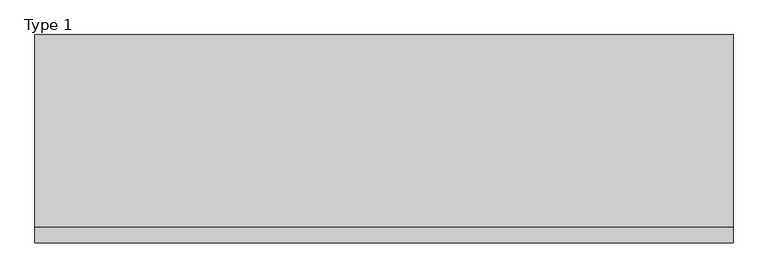
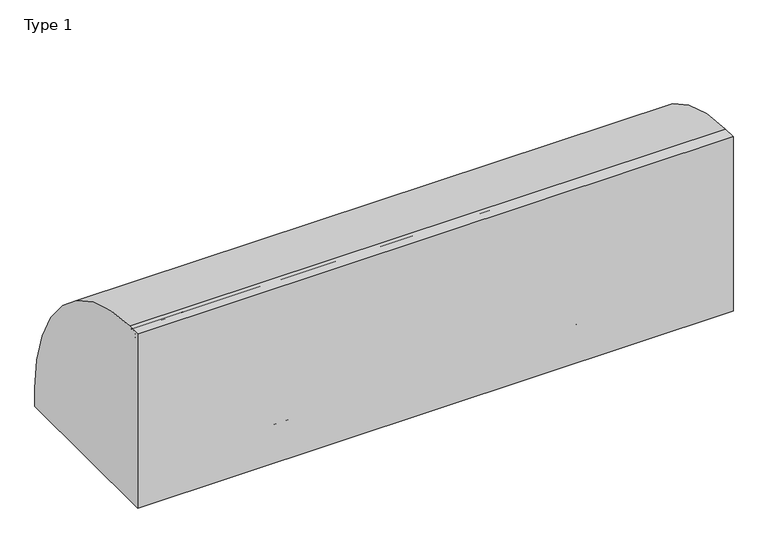
"""IFC4 building model written with IfcOpenShell, lengths in millimetres: railing geometry, Type 1."""

from ifc_helpers import new_model, si_unit, point, frame, frame_2d, origin, place, context, project, spatial, polyline, circle_curve, trimmed, segment, composite_curve, outline, extrude, source, transform, mapped, element, save
from ifc_brep_helpers import plane_surface, cylinder_surface, revolved_surface, advanced_brep


def type_1_5e9ca5f7(model_context):
    return source(origin(), model_context, "Body", "SolidModel", [
        extrude(outline(composite_curve([segment(polyline([(-824.2, 1050.0), (-747.6546144, 1050.0)]), True, "CONTINUOUS"), segment(trimmed(circle_curve(frame_2d((-754.8273072, 108.0)), 942.0273072), [point((-747.6546144, 1050.0))], [point((187.2, 108.0))], False, "CARTESIAN"), True, "CONTINUOUS"), segment(polyline([(187.2, 108.0), (187.2, 0.0), (-824.2, 0.0), (-824.2, 1050.0)]), True, "CONTINUOUS")], self_intersect=False)), frame((-845.0, 0.0, 0.0), z_axis=(1.0, 0.0, 0.0), x_axis=(0.0, 1.0, 0.0)), (0.0, 0.0, 1.0), 3390.0),
        extrude(outline(composite_curve([segment(trimmed(circle_curve(frame_2d((-746.287505, 538.0)), 20.0), [point((-727.7, 530.617273))], [point((-762.0, 525.6259343))], False, "CARTESIAN"), True, "CONTINUOUS"), segment(polyline([(-762.0, 525.6259343), (-762.0, 550.3740657)]), True, "CONTINUOUS"), segment(trimmed(circle_curve(frame_2d((-746.287505, 538.0)), 20.0), [point((-762.0, 550.3740657))], [point((-727.7, 545.382727))], False, "CARTESIAN"), True, "CONTINUOUS"), segment(polyline([(-727.7, 545.382727), (-731.7, 545.382727), (-731.7, 530.617273), (-727.7, 530.617273)]), True, "CONTINUOUS")], self_intersect=False)), frame((-800.0, 0.0, 0.0), z_axis=(1.0, 0.0, 0.0), x_axis=(0.0, 1.0, 0.0)), (0.0, 0.0, 1.0), 3300.0),
        extrude(outline(composite_curve([segment(trimmed(circle_curve(frame_2d((-781.0, 1025.0)), 25.0), [point((-802.0, 1011.43534))], [point((-760.0, 1011.43534))], False, "CARTESIAN"), True, "CONTINUOUS"), segment(polyline([(-760.0, 1011.43534), (-760.0, 993.0), (-761.0, 993.0), (-761.0, 1008.0), (-801.0, 1008.0), (-801.0, 993.0), (-802.0, 993.0), (-802.0, 1011.43534)]), True, "CONTINUOUS")], self_intersect=False)), frame((-845.0, 0.0, 0.0), z_axis=(1.0, 0.0, 0.0), x_axis=(0.0, 1.0, 0.0)), (0.0, 0.0, 1.0), 3390.0),
        extrude(outline(composite_curve([segment(polyline([(-800.0, 185.0), (-767.1999123, 185.0)]), True, "CONTINUOUS"), segment(trimmed(circle_curve(frame_2d((-767.1999123, 112.1212122)), 72.8787879), [point((-767.1999123, 185.0))], [point((-715.6668272, 163.6542973))], False, "CARTESIAN"), True, "CONTINUOUS"), segment(polyline([(-715.6668272, 163.6542973), (-601.4657725, 49.4532425)]), True, "CONTINUOUS"), segment(trimmed(circle_curve(frame_2d((-609.3939394, 41.5250756)), 11.2121212), [point((-601.4657725, 49.4532425))], [point((-598.1818182, 41.5250756))], False, "CARTESIAN"), True, "CONTINUOUS"), segment(polyline([(-598.1818182, 41.5250756), (-598.1818182, 0.0), (-800.0, 0.0), (-800.0, 185.0)]), True, "CONTINUOUS")], self_intersect=False), holes=[composite_curve([segment(trimmed(circle_curve(frame_2d((-705.7014901, 93.0361975)), 5.6060606), [point((-711.3075507, 93.0361975))], [point((-700.0954295, 93.0361975))], True, "CARTESIAN"), True, "CONTINUOUS"), segment(trimmed(circle_curve(frame_2d((-778.6969697, 93.0361975)), 78.6015402), [point((-700.0954295, 93.0361975))], [point((-778.6969697, 171.6377377))], True, "CARTESIAN"), True, "CONTINUOUS"), segment(trimmed(circle_curve(frame_2d((-778.6969697, 166.0316771)), 5.6060606), [point((-778.6969697, 171.6377377))], [point((-784.3030303, 166.0316771))], True, "CARTESIAN"), True, "CONTINUOUS"), segment(polyline([(-784.3030303, 166.0316771), (-784.3030303, 143.5676849)]), True, "CONTINUOUS"), segment(trimmed(circle_curve(frame_2d((-778.6969697, 143.5676849)), 5.6060606), [point((-784.3030303, 143.5676849))], [point((-773.0909091, 143.5676849))], True, "CARTESIAN"), True, "CONTINUOUS"), segment(polyline([(-773.0909091, 143.5676849), (-773.0909091, 157.7293747)]), True, "CONTINUOUS"), segment(trimmed(circle_curve(frame_2d((-770.8668077, 157.7293747)), 2.2241014), [point((-773.0909091, 157.7293747))], [point((-770.5995631, 159.9373619))], False, "CARTESIAN"), True, "CONTINUOUS"), segment(trimmed(circle_curve(frame_2d((-778.6969697, 93.0361975)), 67.389419), [point((-770.5995631, 159.9373619))], [point((-711.3075507, 93.0361975))], False, "CARTESIAN"), True, "CONTINUOUS")], self_intersect=False)]), frame((1637.0, 0.0, 0.0), z_axis=(1.0, 0.0, 0.0), x_axis=(0.0, 1.0, 0.0)), (0.0, 0.0, 1.0), 2.5),
        advanced_brep(
        [(1704.5, -800.0, 185.0), (1704.5, -767.1999123, 185.0), (1704.5, -715.6668272, 163.6542973), (1704.5, -601.4657725, 49.4532425), (1704.5, -598.1818182, 41.5250756), (1704.5, -598.1818182, 0.0), (1704.5, -800.0, 0.0), (1704.5, -800.0, 100.9768515), (1704.5, -711.3075507, 93.0361975), (1704.5, -700.0954295, 93.0361975), (1704.5, -778.6969697, 171.6377377), (1704.5, -784.3030303, 166.0316771), (1704.5, -784.3030303, 143.5676849), (1704.5, -773.0909091, 143.5676849), (1704.5, -773.0909091, 157.7293747), (1704.5, -770.5995631, 159.9373619), (1707.0, -800.0, 0.0), (1707.0, -598.1818182, 0.0), (1707.0, -598.1818182, 41.5250756), (1707.0, -601.4657725, 49.4532425), (1707.0, -715.6668272, 163.6542973), (1707.0, -767.1999123, 185.0), (1707.0, -802.0, 185.0), (1707.0, -802.0, 100.9768515), (1707.0, -800.0, 100.9768515), (1707.0, -711.3075507, 93.0361975), (1707.0, -770.5995631, 159.9373619), (1707.0, -773.0909091, 157.7293747), (1707.0, -773.0909091, 143.5676849), (1707.0, -784.3030303, 143.5676849), (1707.0, -784.3030303, 166.0316771), (1707.0, -778.6969697, 171.6377377), (1707.0, -700.0954295, 93.0361975), (1637.0, -800.0, 185.0), (1637.0, -802.0, 185.0), (1637.0, -802.0, 100.9768515), (1637.0, -800.0, 100.9768515)],
        [
            (0, 1),
            (1, 2, circle_curve(frame((1704.5, -767.1999123, 112.1212122), z_axis=(-1.0, 0.0, 0.0), x_axis=(0.0, -1.0, 0.0)), 72.8787879)),
            (2, 3),
            (3, 4, circle_curve(frame((1704.5, -609.3939394, 41.5250756), z_axis=(-1.0, 0.0, 0.0), x_axis=(0.0, -1.0, 0.0)), 11.2121212)),
            (4, 5),
            (5, 6),
            (6, 7),
            (7, 0),
            (8, 9, circle_curve(frame((1704.5, -705.7014901, 93.0361975), z_axis=(1.0, 0.0, 0.0), x_axis=(0.0, -1.0, 0.0)), 5.6060606)),
            (9, 10, circle_curve(frame((1704.5, -778.6969697, 93.0361975), z_axis=(1.0, 0.0, 0.0), x_axis=(0.0, -1.0, 0.0)), 78.6015402)),
            (10, 11, circle_curve(frame((1704.5, -778.6969697, 166.0316771), z_axis=(1.0, 0.0, 0.0), x_axis=(0.0, -1.0, 0.0)), 5.6060606)),
            (11, 12),
            (12, 13, circle_curve(frame((1704.5, -778.6969697, 143.5676849), z_axis=(1.0, 0.0, 0.0), x_axis=(0.0, -1.0, 0.0)), 5.6060606)),
            (13, 14),
            (14, 15, circle_curve(frame((1704.5, -770.8668077, 157.7293747), z_axis=(-1.0, 0.0, 0.0), x_axis=(0.0, -1.0, 0.0)), 2.2241014)),
            (15, 8, circle_curve(frame((1704.5, -778.6969697, 93.0361975), z_axis=(-1.0, 0.0, 0.0), x_axis=(0.0, -1.0, 0.0)), 67.389419)),
            (16, 17),
            (17, 18),
            (18, 19, circle_curve(frame((1707.0, -609.3939394, 41.5250756), z_axis=(1.0, 0.0, 0.0), x_axis=(0.0, -1.0, 0.0)), 11.2121212)),
            (19, 20),
            (20, 21, circle_curve(frame((1707.0, -767.1999123, 112.1212122), z_axis=(1.0, 0.0, 0.0), x_axis=(0.0, -1.0, 0.0)), 72.8787879)),
            (21, 22),
            (22, 23),
            (23, 24),
            (24, 16),
            (25, 26, circle_curve(frame((1707.0, -778.6969697, 93.0361975), z_axis=(1.0, 0.0, 0.0), x_axis=(0.0, -1.0, 0.0)), 67.389419)),
            (26, 27, circle_curve(frame((1707.0, -770.8668077, 157.7293747), z_axis=(1.0, 0.0, 0.0), x_axis=(0.0, -1.0, 0.0)), 2.2241014)),
            (27, 28),
            (28, 29, circle_curve(frame((1707.0, -778.6969697, 143.5676849), z_axis=(-1.0, 0.0, 0.0), x_axis=(0.0, -1.0, 0.0)), 5.6060606)),
            (29, 30),
            (30, 31, circle_curve(frame((1707.0, -778.6969697, 166.0316771), z_axis=(-1.0, 0.0, 0.0), x_axis=(0.0, -1.0, 0.0)), 5.6060606)),
            (31, 32, circle_curve(frame((1707.0, -778.6969697, 93.0361975), z_axis=(-1.0, 0.0, 0.0), x_axis=(0.0, -1.0, 0.0)), 78.6015402)),
            (32, 25, circle_curve(frame((1707.0, -705.7014901, 93.0361975), z_axis=(-1.0, 0.0, 0.0), x_axis=(0.0, -1.0, 0.0)), 5.6060606)),
            (0, 33),
            (33, 34),
            (34, 22),
            (21, 1),
            (20, 2),
            (19, 3),
            (18, 4),
            (17, 5),
            (16, 6),
            (24, 7),
            (8, 25),
            (32, 9),
            (31, 10),
            (30, 11),
            (15, 26),
            (29, 12),
            (28, 13),
            (27, 14),
            (34, 35),
            (35, 23),
            (36, 33),
            (7, 36),
            (36, 35),
        ],
        [
            plane_surface(frame((1704.5, -798.2270223, 185.0), z_axis=(-1.0, 0.0, 0.0), x_axis=(0.0, 1.0, 0.0))),
            plane_surface(frame((1707.0, -798.2270223, 185.0), z_axis=(1.0, 0.0, 0.0), x_axis=(0.0, -1.0, 0.0))),
            plane_surface(frame((1704.5, -800.0, 185.0), z_axis=(0.0, 0.0, 1.0), x_axis=(1.0, 0.0, 0.0))),
            cylinder_surface(frame((1707.0, -767.1999123, 112.1212122), z_axis=(-1.0, 0.0, 0.0), x_axis=(0.0, -1.0, 0.0)), 72.8787879),
            plane_surface(frame((1704.5, -715.6668272, 163.6542973), z_axis=(0.0, 0.7071067811865421, 0.7071067811865529), x_axis=(1.0, 0.0, 0.0))),
            cylinder_surface(frame((1707.0, -609.3939394, 41.5250756), z_axis=(-1.0, 0.0, 0.0), x_axis=(0.0, -1.0, 0.0)), 11.2121212),
            plane_surface(frame((1704.5, -598.1818182, 41.5250756), z_axis=(0.0, 1.0, 0.0), x_axis=(1.0, 0.0, 0.0))),
            plane_surface(frame((1704.5, -598.1818182, 0.0), z_axis=(0.0, 0.0, -1.0), x_axis=(1.0, 0.0, 0.0))),
            plane_surface(frame((1704.5, -800.0, 0.0), z_axis=(0.0, -1.0, 0.0), x_axis=(1.0, 0.0, 0.0))),
            revolved_surface(polyline([(1707.0, -711.3075507, 93.0361975), (1704.5, -711.3075507, 93.0361975)]), (1707.0, -705.7014901, 93.0361975), (1.0, 0.0, 0.0)),
            revolved_surface(polyline([(1707.0, -857.2985099, 93.0361975), (1704.5, -857.2985099, 93.0361975)]), (1707.0, -778.6969697, 93.0361975), (1.0, 0.0, 0.0)),
            revolved_surface(polyline([(1707.0, -784.3030302999999, 166.0316771), (1704.5, -784.3030302999999, 166.0316771)]), (1707.0, -778.6969697, 166.0316771), (1.0, 0.0, 0.0)),
            cylinder_surface(frame((1707.0, -778.6969697, 93.0361975), z_axis=(-1.0, 0.0, 0.0), x_axis=(0.0, -1.0, 0.0)), 67.389419),
            plane_surface(frame((1704.5, -784.3030303, 166.0316771), z_axis=(0.0, 1.0, 0.0), x_axis=(1.0, 0.0, 0.0))),
            revolved_surface(polyline([(1707.0, -784.3030302999999, 143.5676849), (1704.5, -784.3030302999999, 143.5676849)]), (1707.0, -778.6969697, 143.5676849), (1.0, 0.0, 0.0)),
            plane_surface(frame((1704.5, -773.0909091, 143.5676849), z_axis=(0.0, -1.0, 0.0), x_axis=(1.0, 0.0, 0.0))),
            cylinder_surface(frame((1707.0, -770.8668077, 157.7293747), z_axis=(-1.0, 0.0, 0.0), x_axis=(0.0, -1.0, 0.0)), 2.2241014),
            plane_surface(frame((1637.0, -802.0, 185.0), z_axis=(0.0, -1.0, 0.0), x_axis=(-1.0, 0.0, 0.0))),
            plane_surface(frame((1637.0, -800.0, 185.0), z_axis=(0.0, 1.0, 0.0), x_axis=(1.0, 0.0, 0.0))),
            plane_surface(frame((1637.0, -802.0, 185.0), z_axis=(-1.0, 0.0, 0.0), x_axis=(0.0, 1.0, 0.0))),
            plane_surface(frame((1637.0, -802.0, 100.9768515), z_axis=(0.0, 0.0, -1.0), x_axis=(0.0, 1.0, 0.0))),
        ],
        [
            (0, [[1, 2, 3, 4, 5, 6, 7, 8], [9, 10, 11, 12, 13, 14, 15, 16]]),
            (1, [[17, 18, 19, 20, 21, 22, 23, 24, 25], [26, 27, 28, 29, 30, 31, 32, 33]]),
            (2, [[-1, 34, 35, 36, -22, 37]]),
            (3, [[-2, -37, -21, 38]]),
            (4, [[-3, -38, -20, 39]]),
            (5, [[-4, -39, -19, 40]]),
            (6, [[-5, -40, -18, 41]]),
            (7, [[-6, -41, -17, 42]]),
            (8, [[-42, -25, 43, -7]]),
            (9, [[-9, 44, -33, 45]]),
            (10, [[-10, -45, -32, 46]]),
            (11, [[-11, -46, -31, 47]]),
            (12, [[-16, 48, -26, -44]]),
            (13, [[-12, -47, -30, 49]]),
            (14, [[-13, -49, -29, 50]]),
            (15, [[-14, -50, -28, 51]]),
            (16, [[-15, -51, -27, -48]]),
            (17, [[-36, 52, 53, -23]]),
            (18, [[54, -34, -8, 55]]),
            (19, [[-52, -35, -54, 56]]),
            (20, [[-53, -56, -55, -43, -24]]),
        ],
    ),
        extrude(outline(composite_curve([segment(trimmed(circle_curve(frame_2d((1649.0, -795.0)), 5.0), [point((1649.0, -800.0))], [point((1644.0, -795.0))], False, "CARTESIAN"), True, "CONTINUOUS"), segment(polyline([(1644.0, -795.0), (1644.0, -767.0)]), True, "CONTINUOUS"), segment(trimmed(circle_curve(frame_2d((1649.0, -767.0)), 5.0), [point((1644.0, -767.0))], [point((1649.0, -762.0))], False, "CARTESIAN"), True, "CONTINUOUS"), segment(polyline([(1649.0, -762.0), (1695.0, -762.0)]), True, "CONTINUOUS"), segment(trimmed(circle_curve(frame_2d((1695.0, -767.0)), 5.0), [point((1695.0, -762.0))], [point((1700.0, -767.0))], False, "CARTESIAN"), True, "CONTINUOUS"), segment(polyline([(1700.0, -767.0), (1700.0, -795.0)]), True, "CONTINUOUS"), segment(trimmed(circle_curve(frame_2d((1695.0, -795.0)), 5.0), [point((1700.0, -795.0))], [point((1695.0, -800.0))], False, "CARTESIAN"), True, "CONTINUOUS"), segment(polyline([(1695.0, -800.0), (1649.0, -800.0)]), True, "CONTINUOUS")], self_intersect=False)), frame((0.0, 0.0, 43.0), z_axis=(0.0, 0.0, 1.0), x_axis=(1.0, 0.0, 0.0)), (0.0, 0.0, 1.0), 965.0),
        extrude(outline(composite_curve([segment(polyline([(0.0, 1704.5), (36.5, 1704.5)]), True, "CONTINUOUS"), segment(trimmed(circle_curve(frame_2d((36.5, 1703.0)), 1.5), [point((36.5, 1704.5))], [point((36.5, 1701.5))], False, "CARTESIAN"), True, "CONTINUOUS"), segment(polyline([(36.5, 1701.5), (3.0, 1701.5), (3.0, 1642.5), (36.5, 1642.5)]), True, "CONTINUOUS"), segment(trimmed(circle_curve(frame_2d((36.5, 1641.0)), 1.5), [point((36.5, 1642.5))], [point((36.5, 1639.5))], False, "CARTESIAN"), True, "CONTINUOUS"), segment(polyline([(36.5, 1639.5), (0.0, 1639.5), (0.0, 1704.5)]), True, "CONTINUOUS")], self_intersect=False)), frame((0.0, -800.0, 0.0), z_axis=(0.0, 1.0, 0.0), x_axis=(0.0, 0.0, 1.0)), (0.0, 0.0, 1.0), 800.0),
        extrude(outline(composite_curve([segment(polyline([(-800.0, 185.0), (-767.1999123, 185.0)]), True, "CONTINUOUS"), segment(trimmed(circle_curve(frame_2d((-767.1999123, 112.1212121)), 72.8787879), [point((-767.1999123, 185.0))], [point((-715.6668272, 163.6542972))], False, "CARTESIAN"), True, "CONTINUOUS"), segment(polyline([(-715.6668272, 163.6542972), (-601.4657725, 49.4532425)]), True, "CONTINUOUS"), segment(trimmed(circle_curve(frame_2d((-609.3939394, 41.5250755)), 11.2121212), [point((-601.4657725, 49.4532425))], [point((-598.1818182, 41.5250755))], False, "CARTESIAN"), True, "CONTINUOUS"), segment(polyline([(-598.1818182, 41.5250755), (-598.1818182, 0.0), (-800.0, 0.0), (-800.0, 185.0)]), True, "CONTINUOUS")], self_intersect=False), holes=[composite_curve([segment(trimmed(circle_curve(frame_2d((-705.7014901, 93.0361974)), 5.6060606), [point((-711.3075507, 93.0361974))], [point((-700.0954295, 93.0361974))], True, "CARTESIAN"), True, "CONTINUOUS"), segment(trimmed(circle_curve(frame_2d((-778.6969697, 93.0361974)), 78.6015402), [point((-700.0954295, 93.0361974))], [point((-778.6969697, 171.6377376))], True, "CARTESIAN"), True, "CONTINUOUS"), segment(trimmed(circle_curve(frame_2d((-778.6969697, 166.031677)), 5.6060606), [point((-778.6969697, 171.6377376))], [point((-784.3030303, 166.031677))], True, "CARTESIAN"), True, "CONTINUOUS"), segment(polyline([(-784.3030303, 166.031677), (-784.3030303, 143.5676849)]), True, "CONTINUOUS"), segment(trimmed(circle_curve(frame_2d((-778.6969697, 143.5676849)), 5.6060606), [point((-784.3030303, 143.5676849))], [point((-773.0909091, 143.5676849))], True, "CARTESIAN"), True, "CONTINUOUS"), segment(polyline([(-773.0909091, 143.5676849), (-773.0909091, 157.7293746)]), True, "CONTINUOUS"), segment(trimmed(circle_curve(frame_2d((-770.8668077, 157.7293746)), 2.2241014), [point((-773.0909091, 157.7293746))], [point((-770.5995631, 159.9373618))], False, "CARTESIAN"), True, "CONTINUOUS"), segment(trimmed(circle_curve(frame_2d((-778.6969697, 93.0361974)), 67.389419), [point((-770.5995631, 159.9373618))], [point((-711.3075507, 93.0361974))], False, "CARTESIAN"), True, "CONTINUOUS")], self_intersect=False)]), frame((-7.0, 0.0, 0.0), z_axis=(1.0, 0.0, 0.0), x_axis=(0.0, 1.0, 0.0)), (0.0, 0.0, 1.0), 2.5),
        advanced_brep(
        [(60.5, -800.0, 185.0), (60.5, -767.1999123, 185.0), (60.5, -715.6668272, 163.6542972), (60.5, -601.4657725, 49.4532425), (60.5, -598.1818182, 41.5250755), (60.5, -598.1818182, 0.0), (60.5, -800.0, 0.0), (60.5, -800.0, 100.9768514), (60.5, -711.3075507, 93.0361974), (60.5, -700.0954295, 93.0361974), (60.5, -778.6969697, 171.6377376), (60.5, -784.3030303, 166.031677), (60.5, -784.3030303, 143.5676849), (60.5, -773.0909091, 143.5676849), (60.5, -773.0909091, 157.7293746), (60.5, -770.5995631, 159.9373618), (63.0, -800.0, 0.0), (63.0, -598.1818182, 0.0), (63.0, -598.1818182, 41.5250755), (63.0, -601.4657725, 49.4532425), (63.0, -715.6668272, 163.6542972), (63.0, -767.1999123, 185.0), (63.0, -802.0, 185.0), (63.0, -802.0, 100.9768514), (63.0, -800.0, 100.9768514), (63.0, -711.3075507, 93.0361974), (63.0, -770.5995631, 159.9373618), (63.0, -773.0909091, 157.7293746), (63.0, -773.0909091, 143.5676849), (63.0, -784.3030303, 143.5676849), (63.0, -784.3030303, 166.031677), (63.0, -778.6969697, 171.6377376), (63.0, -700.0954295, 93.0361974), (-7.0, -800.0, 185.0), (-7.0, -802.0, 185.0), (-7.0, -802.0, 100.9768514), (-7.0, -800.0, 100.9768514)],
        [
            (0, 1),
            (1, 2, circle_curve(frame((60.5, -767.1999123, 112.1212121), z_axis=(-1.0, 0.0, 0.0), x_axis=(0.0, -1.0, 0.0)), 72.8787879)),
            (2, 3),
            (3, 4, circle_curve(frame((60.5, -609.3939394, 41.5250755), z_axis=(-1.0, 0.0, 0.0), x_axis=(0.0, -1.0, 0.0)), 11.2121212)),
            (4, 5),
            (5, 6),
            (6, 7),
            (7, 0),
            (8, 9, circle_curve(frame((60.5, -705.7014901, 93.0361974), z_axis=(1.0, 0.0, 0.0), x_axis=(0.0, -1.0, 0.0)), 5.6060606)),
            (9, 10, circle_curve(frame((60.5, -778.6969697, 93.0361974), z_axis=(1.0, 0.0, 0.0), x_axis=(0.0, -1.0, 0.0)), 78.6015402)),
            (10, 11, circle_curve(frame((60.5, -778.6969697, 166.031677), z_axis=(1.0, 0.0, 0.0), x_axis=(0.0, -1.0, 0.0)), 5.6060606)),
            (11, 12),
            (12, 13, circle_curve(frame((60.5, -778.6969697, 143.5676849), z_axis=(1.0, 0.0, 0.0), x_axis=(0.0, -1.0, 0.0)), 5.6060606)),
            (13, 14),
            (14, 15, circle_curve(frame((60.5, -770.8668077, 157.7293746), z_axis=(-1.0, 0.0, 0.0), x_axis=(0.0, -1.0, 0.0)), 2.2241014)),
            (15, 8, circle_curve(frame((60.5, -778.6969697, 93.0361974), z_axis=(-1.0, 0.0, 0.0), x_axis=(0.0, -1.0, 0.0)), 67.389419)),
            (16, 17),
            (17, 18),
            (18, 19, circle_curve(frame((63.0, -609.3939394, 41.5250755), z_axis=(1.0, 0.0, 0.0), x_axis=(0.0, -1.0, 0.0)), 11.2121212)),
            (19, 20),
            (20, 21, circle_curve(frame((63.0, -767.1999123, 112.1212121), z_axis=(1.0, 0.0, 0.0), x_axis=(0.0, -1.0, 0.0)), 72.8787879)),
            (21, 22),
            (22, 23),
            (23, 24),
            (24, 16),
            (25, 26, circle_curve(frame((63.0, -778.6969697, 93.0361974), z_axis=(1.0, 0.0, 0.0), x_axis=(0.0, -1.0, 0.0)), 67.389419)),
            (26, 27, circle_curve(frame((63.0, -770.8668077, 157.7293746), z_axis=(1.0, 0.0, 0.0), x_axis=(0.0, -1.0, 0.0)), 2.2241014)),
            (27, 28),
            (28, 29, circle_curve(frame((63.0, -778.6969697, 143.5676849), z_axis=(-1.0, 0.0, 0.0), x_axis=(0.0, -1.0, 0.0)), 5.6060606)),
            (29, 30),
            (30, 31, circle_curve(frame((63.0, -778.6969697, 166.031677), z_axis=(-1.0, 0.0, 0.0), x_axis=(0.0, -1.0, 0.0)), 5.6060606)),
            (31, 32, circle_curve(frame((63.0, -778.6969697, 93.0361974), z_axis=(-1.0, 0.0, 0.0), x_axis=(0.0, -1.0, 0.0)), 78.6015402)),
            (32, 25, circle_curve(frame((63.0, -705.7014901, 93.0361974), z_axis=(-1.0, 0.0, 0.0), x_axis=(0.0, -1.0, 0.0)), 5.6060606)),
            (0, 33),
            (33, 34),
            (34, 22),
            (21, 1),
            (20, 2),
            (19, 3),
            (18, 4),
            (17, 5),
            (16, 6),
            (24, 7),
            (8, 25),
            (32, 9),
            (31, 10),
            (30, 11),
            (15, 26),
            (29, 12),
            (28, 13),
            (27, 14),
            (34, 35),
            (35, 23),
            (36, 33),
            (7, 36),
            (36, 35),
        ],
        [
            plane_surface(frame((60.5, -798.2270223, 185.0), z_axis=(-1.0, 0.0, 0.0), x_axis=(0.0, 1.0, 0.0))),
            plane_surface(frame((63.0, -798.2270223, 185.0), z_axis=(1.0, 0.0, 0.0), x_axis=(0.0, -1.0, 0.0))),
            plane_surface(frame((60.5, -800.0, 185.0), z_axis=(0.0, 0.0, 1.0), x_axis=(1.0, 0.0, 0.0))),
            cylinder_surface(frame((63.0, -767.1999123, 112.1212121), z_axis=(-1.0, 0.0, 0.0), x_axis=(0.0, -1.0, 0.0)), 72.8787879),
            plane_surface(frame((60.5, -715.6668272, 163.6542972), z_axis=(0.0, 0.7071067811865421, 0.7071067811865529), x_axis=(1.0, 0.0, 0.0))),
            cylinder_surface(frame((63.0, -609.3939394, 41.5250755), z_axis=(-1.0, 0.0, 0.0), x_axis=(0.0, -1.0, 0.0)), 11.2121212),
            plane_surface(frame((60.5, -598.1818182, 41.5250755), z_axis=(0.0, 1.0, 0.0), x_axis=(1.0, 0.0, 0.0))),
            plane_surface(frame((60.5, -598.1818182, 0.0), z_axis=(0.0, 0.0, -1.0), x_axis=(1.0, 0.0, 0.0))),
            plane_surface(frame((60.5, -800.0, 0.0), z_axis=(0.0, -1.0, 0.0), x_axis=(1.0, 0.0, 0.0))),
            revolved_surface(polyline([(63.0, -711.3075507, 93.0361974), (60.5, -711.3075507, 93.0361974)]), (63.0, -705.7014901, 93.0361974), (1.0, 0.0, 0.0)),
            revolved_surface(polyline([(63.0, -857.2985099, 93.0361974), (60.5, -857.2985099, 93.0361974)]), (63.0, -778.6969697, 93.0361974), (1.0, 0.0, 0.0)),
            revolved_surface(polyline([(63.0, -784.3030302999999, 166.031677), (60.5, -784.3030302999999, 166.031677)]), (63.0, -778.6969697, 166.031677), (1.0, 0.0, 0.0)),
            cylinder_surface(frame((63.0, -778.6969697, 93.0361974), z_axis=(-1.0, 0.0, 0.0), x_axis=(0.0, -1.0, 0.0)), 67.389419),
            plane_surface(frame((60.5, -784.3030303, 166.031677), z_axis=(0.0, 1.0, 0.0), x_axis=(1.0, 0.0, 0.0))),
            revolved_surface(polyline([(63.0, -784.3030302999999, 143.5676849), (60.5, -784.3030302999999, 143.5676849)]), (63.0, -778.6969697, 143.5676849), (1.0, 0.0, 0.0)),
            plane_surface(frame((60.5, -773.0909091, 143.5676849), z_axis=(0.0, -1.0, 0.0), x_axis=(1.0, 0.0, 0.0))),
            cylinder_surface(frame((63.0, -770.8668077, 157.7293746), z_axis=(-1.0, 0.0, 0.0), x_axis=(0.0, -1.0, 0.0)), 2.2241014),
            plane_surface(frame((-7.0, -802.0, 185.0), z_axis=(0.0, -1.0, 0.0), x_axis=(-1.0, 0.0, 0.0))),
            plane_surface(frame((-7.0, -800.0, 185.0), z_axis=(0.0, 1.0, 0.0), x_axis=(1.0, 0.0, 0.0))),
            plane_surface(frame((-7.0, -802.0, 185.0), z_axis=(-1.0, 0.0, 0.0), x_axis=(0.0, 1.0, 0.0))),
            plane_surface(frame((-7.0, -802.0, 100.9768514), z_axis=(0.0, 0.0, -1.0), x_axis=(0.0, 1.0, 0.0))),
        ],
        [
            (0, [[1, 2, 3, 4, 5, 6, 7, 8], [9, 10, 11, 12, 13, 14, 15, 16]]),
            (1, [[17, 18, 19, 20, 21, 22, 23, 24, 25], [26, 27, 28, 29, 30, 31, 32, 33]]),
            (2, [[-1, 34, 35, 36, -22, 37]]),
            (3, [[-2, -37, -21, 38]]),
            (4, [[-3, -38, -20, 39]]),
            (5, [[-4, -39, -19, 40]]),
            (6, [[-5, -40, -18, 41]]),
            (7, [[-6, -41, -17, 42]]),
            (8, [[-42, -25, 43, -7]]),
            (9, [[-9, 44, -33, 45]]),
            (10, [[-10, -45, -32, 46]]),
            (11, [[-11, -46, -31, 47]]),
            (12, [[-16, 48, -26, -44]]),
            (13, [[-12, -47, -30, 49]]),
            (14, [[-13, -49, -29, 50]]),
            (15, [[-14, -50, -28, 51]]),
            (16, [[-15, -51, -27, -48]]),
            (17, [[-36, 52, 53, -23]]),
            (18, [[54, -34, -8, 55]]),
            (19, [[-52, -35, -54, 56]]),
            (20, [[-53, -56, -55, -43, -24]]),
        ],
    ),
        extrude(outline(composite_curve([segment(trimmed(circle_curve(frame_2d((5.0, -795.0)), 5.0), [point((5.0, -800.0))], [point((0.0, -795.0))], False, "CARTESIAN"), True, "CONTINUOUS"), segment(polyline([(0.0, -795.0), (0.0, -767.0)]), True, "CONTINUOUS"), segment(trimmed(circle_curve(frame_2d((5.0, -767.0)), 5.0), [point((0.0, -767.0))], [point((5.0, -762.0))], False, "CARTESIAN"), True, "CONTINUOUS"), segment(polyline([(5.0, -762.0), (51.0, -762.0)]), True, "CONTINUOUS"), segment(trimmed(circle_curve(frame_2d((51.0, -767.0)), 5.0), [point((51.0, -762.0))], [point((56.0, -767.0))], False, "CARTESIAN"), True, "CONTINUOUS"), segment(polyline([(56.0, -767.0), (56.0, -795.0)]), True, "CONTINUOUS"), segment(trimmed(circle_curve(frame_2d((51.0, -795.0)), 5.0), [point((56.0, -795.0))], [point((51.0, -800.0))], False, "CARTESIAN"), True, "CONTINUOUS"), segment(polyline([(51.0, -800.0), (5.0, -800.0)]), True, "CONTINUOUS")], self_intersect=False)), frame((0.0, 0.0, 43.0), z_axis=(0.0, 0.0, 1.0), x_axis=(1.0, 0.0, 0.0)), (0.0, 0.0, 1.0), 965.0),
        extrude(outline(composite_curve([segment(polyline([(0.0, 60.5), (36.5, 60.5)]), True, "CONTINUOUS"), segment(trimmed(circle_curve(frame_2d((36.5, 59.0)), 1.5), [point((36.5, 60.5))], [point((36.5, 57.5))], False, "CARTESIAN"), True, "CONTINUOUS"), segment(polyline([(36.5, 57.5), (3.0, 57.5), (3.0, -1.5), (36.5, -1.5)]), True, "CONTINUOUS"), segment(trimmed(circle_curve(frame_2d((36.5, -3.0)), 1.5), [point((36.5, -1.5))], [point((36.5, -4.5))], False, "CARTESIAN"), True, "CONTINUOUS"), segment(polyline([(36.5, -4.5), (0.0, -4.5), (0.0, 60.5)]), True, "CONTINUOUS")], self_intersect=False)), frame((0.0, -800.0, 0.0), z_axis=(0.0, 1.0, 0.0), x_axis=(0.0, 0.0, 1.0)), (0.0, 0.0, 1.0), 800.0),
    ])


if __name__ == "__main__":
    model = new_model("IFC4")
    model_context = context("Model", 3, world=origin())
    ifc_project = project(units=[si_unit("LENGTHUNIT", "METRE", prefix="MILLI")], contexts=[model_context])
    site = spatial("IfcSite", under=ifc_project)
    building = spatial("IfcBuilding", under=site)
    placement = place(None, origin())
    type_1_shape = type_1_5e9ca5f7(model_context)
    element("IfcRailing", 1, ObjectType="Type 1", at=placement, inside=building, context=model_context, shape_type="MappedRepresentation", body=[
        mapped(type_1_shape, transform((0.0, 0.0, 0.0), x_axis=(1.0, 0.0, 0.0), y_axis=(0.0, 1.0, 0.0), z_axis=(0.0, 0.0, 1.0))),
    ])
    save(model, "model.ifc")
